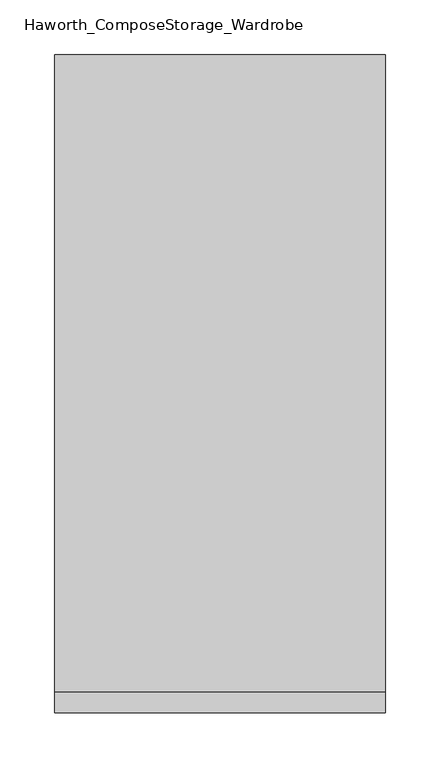
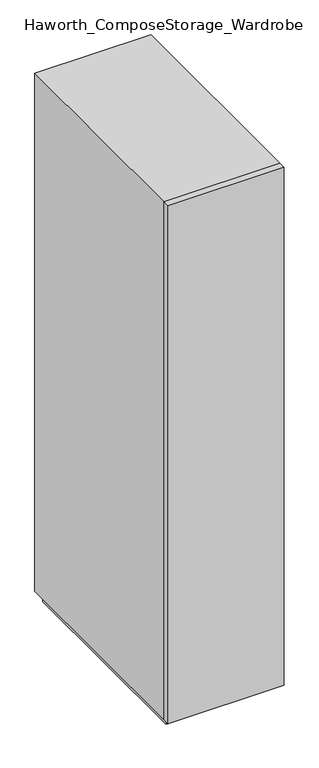
"""IFC4 building model written with IfcOpenShell, lengths in millimetres: furniture geometry, Haworth_ComposeStorage_Wardrobe."""

from ifc_helpers import new_model, si_unit, frame, origin, origin_with_axes, place, context, project, spatial, polyline, outline, extrude, faceted_brep, source, transform, mapped, element, save


def haworth_composestorage_wardrobe_07240c55(model_context):
    return source(origin(), model_context, "Body", "SolidModel", [
        extrude(outline(polyline([(150.8263906, -309.5625), (-150.7986094, -309.5625), (-150.7986094, -290.5125), (150.8263906, -290.5125), (150.8263906, -309.5625)])), frame((0.0, 0.0, 25.4), z_axis=(0.0, 0.0, 1.0), x_axis=(1.0, 0.0, 0.0)), (0.0, 0.0, 1.0), 1422.4),
        faceted_brep([(-150.7986094, -290.5125, 25.4), (150.8263906, -290.5125, 25.4), (150.8263906, -290.5125, 1447.8), (-150.7986094, -290.5125, 1447.8), (-131.7486094, -290.5125, 44.45), (-131.7486094, -290.5125, 1428.75), (131.7486094, -290.5125, 1428.75), (131.7486094, -290.5125, 44.45), (-150.7986094, 290.5125, 25.4), (-150.7986094, 290.5125, 1447.8), (150.8263906, 290.5125, 1447.8), (150.8263906, 290.5125, 25.4), (-131.7486094, 271.4625, 44.45), (-131.7486094, 271.4625, 1428.75), (131.7486094, 271.4625, 1428.75), (131.7486094, 271.4625, 44.45)], [[[0, 1, 2, 3], [4, 5, 6, 7]], [[8, 9, 10, 11]], [[1, 0, 8, 11]], [[2, 1, 11, 10]], [[3, 2, 10, 9]], [[0, 3, 9, 8]], [[5, 4, 12, 13]], [[6, 5, 13, 14]], [[7, 6, 14, 15]], [[4, 7, 15, 12]], [[13, 12, 15, 14]]]),
        extrude(outline(polyline([(138.1263906, -277.8125), (-138.0986094, -277.8125), (-138.0986094, 277.8125), (138.1263906, 277.8125), (138.1263906, -277.8125)])), origin_with_axes(), (0.0, 0.0, 1.0), 25.4),
    ])


if __name__ == "__main__":
    model = new_model("IFC4")
    model_context = context("Model", 3, world=origin())
    ifc_project = project(units=[si_unit("LENGTHUNIT", "METRE", prefix="MILLI")], contexts=[model_context])
    site = spatial("IfcSite", under=ifc_project)
    building = spatial("IfcBuilding", under=site)
    placement = place(None, origin())
    haworth_composestorage_wardrobe_shape = haworth_composestorage_wardrobe_07240c55(model_context)
    element("IfcFurniture", 1, ObjectType="Haworth_ComposeStorage_Wardrobe", at=placement, inside=building, context=model_context, shape_type="MappedRepresentation", body=[
        mapped(haworth_composestorage_wardrobe_shape, transform((0.0, 0.0, 0.0), x_axis=(1.0, 0.0, 0.0), y_axis=(0.0, 1.0, 0.0), z_axis=(0.0, 0.0, 1.0))),
    ])
    save(model, "model.ifc")
